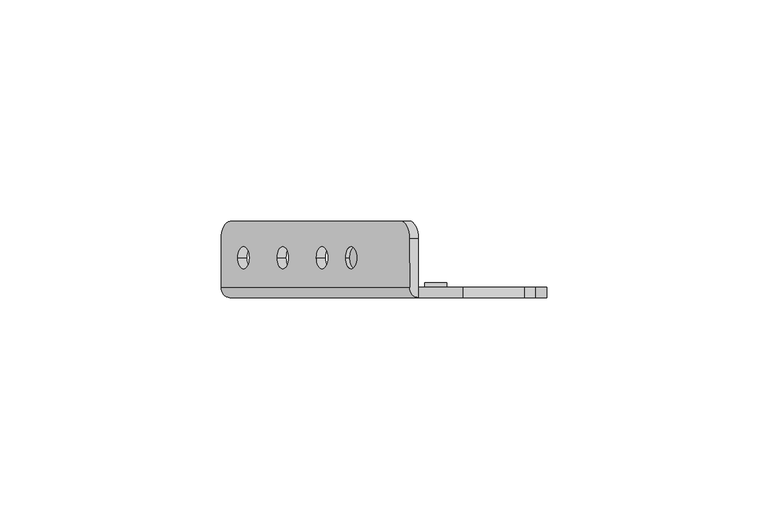
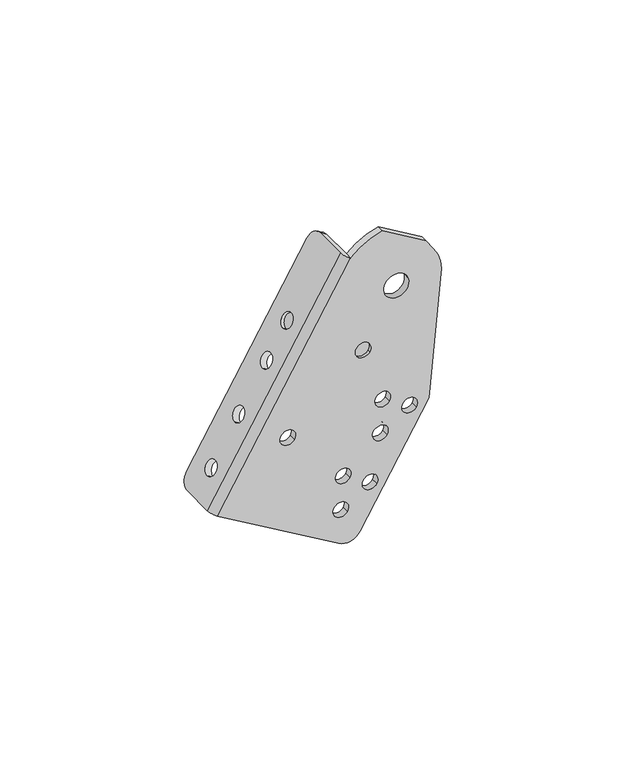
"""IFC4 building model written with IfcOpenShell, lengths in millimetres: proxy geometry."""

from ifc_helpers import new_model, si_unit, frame, origin, place, context, project, spatial, polyline, circle_curve, source, transform, mapped, element, save
from ifc_brep_helpers import plane_surface, cylinder_surface, revolved_surface, advanced_brep


def mechanical_equipment_146bcb7c(model_context):
    return source(origin(), model_context, "Body", "AdvancedBrep", [
        advanced_brep(
        [(-39.2343586, 12.2834534, -6.886855), (-41.2475324, 16.2499985, -10.3045459), (-79.8299595, 16.2499985, -75.8045094), (-81.859861, 12.196215, -79.2505982), (-81.859861, 1.2499985, -79.2505982), (-39.2266385, 1.2499985, -6.8737487), (-78.0533232, 7.953236, -72.7883795), (-75.5156314, 7.953236, -68.4802337), (-69.1714019, 7.953236, -57.7098692), (-66.6337101, 7.953236, -53.4017234), (-60.2894805, 7.953236, -42.6313589), (-57.7517887, 7.953236, -38.3232131), (-53.6914818, 7.9499985, -31.4301798), (-51.15379, 7.9499985, -27.122034), (-79.8781139, 12.196215, -80.4179364), (-77.8482125, 16.1957184, -76.9718477), (-39.2657854, 16.2499985, -11.4718841), (-37.2526116, 12.2834534, -8.0541932), (-37.2448914, 1.2499985, -8.0410869), (-79.8781139, 1.2499985, -80.4179364), (-76.0715762, 7.953236, -73.9557177), (-73.5338843, 7.953236, -69.6475719), (-67.1896548, 7.953236, -58.8772074), (-64.651963, 7.953236, -54.5690616), (-58.3077335, 7.953236, -43.7986971), (-55.7700416, 7.953236, -39.4905513), (-49.1720429, 7.9499985, -28.2893722), (-51.7097347, 7.9499985, -32.597518), (-37.2448914, -1.0500015, -8.0410869), (-41.1048017, 1.2499985, -103.2571627), (-41.1048017, -1.0500015, -103.2571627), (-79.8781139, -1.0500015, -80.4179364), (-52.8298526, 7.9499985, -31.9377181), (-50.2921608, 7.9499985, -27.6295723), (-34.258964, -1.0500015, -101.4867088), (-12.2237444, -1.0500015, -64.078329), (-8.1416624, -1.0500015, -21.6842866), (-10.6711658, -1.0500015, -14.24529), (-13.1620354, -1.0500015, -10.6210522), (-27.0925851, -1.0500015, -2.4153313), (-18.748405, -1.0500015, -21.4566604), (-26.4935861, -1.0500015, -23.4597005), (-59.5295857, -1.0500015, -60.4878527), (-55.2214399, -1.0500015, -63.0255445), (-29.1069354, -1.0500015, -58.0978014), (-24.7987896, -1.0500015, -60.6354932), (-20.4906438, -1.0500015, -63.1731851), (-16.182498, -1.0500015, -65.7108769), (-29.8741732, -1.0500015, -69.2517848), (-25.5660274, -1.0500015, -71.7894767), (-41.7953944, -1.0500015, -79.6385304), (-37.4872486, -1.0500015, -82.1762223), (-33.1791028, -1.0500015, -84.7139141), (-28.870957, -1.0500015, -87.2516059), (-42.5626323, -1.0500015, -90.7925139), (-38.2544865, -1.0500015, -93.3302057), (-35.4333741, -1.0500015, -39.2835469), (-31.1252283, -1.0500015, -41.8212387), (-27.0925851, 1.2499985, -2.4153313), (-13.1620354, 1.2499985, -10.6210522), (-10.6711658, 1.2499985, -14.24529), (-8.1416624, 1.2499985, -21.6842866), (-12.2237444, 1.2499985, -64.078329), (-34.258964, 1.2499985, -101.4867088), (-18.748405, 1.2499985, -21.4566604), (-26.4935861, 1.2499985, -23.4597005), (-59.5295857, 1.2499985, -60.4878527), (-55.2214399, 1.2499985, -63.0255445), (-29.1069354, 1.2499985, -58.0978014), (-24.7987896, 1.2499985, -60.6354932), (-20.4906438, 1.2499985, -63.1731851), (-16.182498, 1.2499985, -65.7108769), (-29.8741732, 1.2499985, -69.2517848), (-25.5660274, 1.2499985, -71.7894767), (-41.7953944, 1.2499985, -79.6385304), (-37.4872486, 1.2499985, -82.1762223), (-33.1791028, 1.2499985, -84.7139141), (-28.870957, 1.2499985, -87.2516059), (-42.5626323, 1.2499985, -90.7925139), (-38.2544865, 1.2499985, -93.3302057), (-30.8589321, 1.2499985, -39.9264428), (-35.4333741, 1.2499985, -39.2835469), (-35.6996703, 1.2499985, -41.1783428), (-31.1252283, 1.2499985, -41.8212387), (-30.8589321, -0.0500015, -39.9264428), (-35.4333741, -0.0500015, -39.2835469), (-35.6996703, -0.0500015, -41.1783428), (-31.1252283, -0.0500015, -41.8212387), (-30.8589321, 2.2499985, -39.9264428), (-35.6996703, 2.2499985, -41.1783428), (-50.8481056, 7.9499985, -33.1050564), (-48.3104138, 7.9499985, -28.7969106)],
        [
            (0, 1, circle_curve(frame((-41.2475324, 12.2834534, -10.3045459), z_axis=(-0.8616291604415248, 0.0, 0.507538362960706), x_axis=(-0.507538362960706, 0.0, -0.8616291604415248)), 3.9665451)),
            (1, 2),
            (2, 3, circle_curve(frame((-79.8299595, 12.196215, -75.8045094), z_axis=(-0.8616291604415248, 0.0, 0.507538362960706), x_axis=(-0.507538362960706, 0.0, -0.8616291604415248)), 3.9995034)),
            (3, 4),
            (4, 5),
            (5, 0),
            (6, 7, circle_curve(frame((-76.7844773, 7.953236, -70.6343066), z_axis=(0.8616291604415247, 0.0, -0.5075383629607061), x_axis=(0.5075383629607061, 0.0, 0.8616291604415247)), 2.5)),
            (7, 6, circle_curve(frame((-76.7844773, 7.953236, -70.6343066), z_axis=(0.8616291604415247, 0.0, -0.5075383629607061), x_axis=(0.5075383629607061, 0.0, 0.8616291604415247)), 2.5)),
            (8, 9, circle_curve(frame((-67.902556, 7.953236, -55.5557963), z_axis=(0.8616291604415247, 0.0, -0.5075383629607061), x_axis=(0.5075383629607061, 0.0, 0.8616291604415247)), 2.5)),
            (9, 8, circle_curve(frame((-67.902556, 7.953236, -55.5557963), z_axis=(0.8616291604415247, 0.0, -0.5075383629607061), x_axis=(0.5075383629607061, 0.0, 0.8616291604415247)), 2.5)),
            (10, 11, circle_curve(frame((-59.0206346, 7.953236, -40.477286), z_axis=(0.8616291604415247, 0.0, -0.5075383629607061), x_axis=(0.5075383629607061, 0.0, 0.8616291604415247)), 2.5)),
            (11, 10, circle_curve(frame((-59.0206346, 7.953236, -40.477286), z_axis=(0.8616291604415247, 0.0, -0.5075383629607061), x_axis=(0.5075383629607061, 0.0, 0.8616291604415247)), 2.5)),
            (12, 13, circle_curve(frame((-52.4226359, 7.9499985, -29.2761069), z_axis=(0.8616291604415247, 0.0, -0.5075383629607061), x_axis=(0.5075383629607061, 0.0, 0.8616291604415247)), 2.5)),
            (13, 12, circle_curve(frame((-52.4226359, 7.9499985, -29.2761069), z_axis=(0.8616291604415247, 0.0, -0.5075383629607061), x_axis=(0.5075383629607061, 0.0, 0.8616291604415247)), 2.5)),
            (14, 15, circle_curve(frame((-77.8482125, 12.196215, -76.9718477), z_axis=(0.8616291604415248, 0.0, -0.507538362960706), x_axis=(-0.507538362960706, 0.0, -0.8616291604415248)), 3.9995034)),
            (15, 16),
            (16, 17, circle_curve(frame((-39.2657854, 12.2834534, -11.4718841), z_axis=(0.8616291604415248, 0.0, -0.507538362960706), x_axis=(-0.507538362960706, 0.0, -0.8616291604415248)), 3.9665451)),
            (17, 18),
            (18, 19),
            (19, 14),
            (20, 21, circle_curve(frame((-74.8027303, 7.953236, -71.8016448), z_axis=(-0.8616291604415247, 0.0, 0.5075383629607061), x_axis=(0.5075383629607061, 0.0, 0.8616291604415247)), 2.5)),
            (21, 20, circle_curve(frame((-74.8027303, 7.953236, -71.8016448), z_axis=(-0.8616291604415247, 0.0, 0.5075383629607061), x_axis=(0.5075383629607061, 0.0, 0.8616291604415247)), 2.5)),
            (22, 23, circle_curve(frame((-65.9208089, 7.953236, -56.7231345), z_axis=(-0.8616291604415247, 0.0, 0.5075383629607061), x_axis=(0.5075383629607061, 0.0, 0.8616291604415247)), 2.5)),
            (23, 22, circle_curve(frame((-65.9208089, 7.953236, -56.7231345), z_axis=(-0.8616291604415247, 0.0, 0.5075383629607061), x_axis=(0.5075383629607061, 0.0, 0.8616291604415247)), 2.5)),
            (24, 25, circle_curve(frame((-57.0388875, 7.953236, -41.6446242), z_axis=(-0.8616291604415247, 0.0, 0.5075383629607061), x_axis=(0.5075383629607061, 0.0, 0.8616291604415247)), 2.5)),
            (25, 24, circle_curve(frame((-57.0388875, 7.953236, -41.6446242), z_axis=(-0.8616291604415247, 0.0, 0.5075383629607061), x_axis=(0.5075383629607061, 0.0, 0.8616291604415247)), 2.5)),
            (26, 27, circle_curve(frame((-50.4408888, 7.9499985, -30.4434451), z_axis=(-0.8616291604415253, 0.0, 0.5075383629607052), x_axis=(0.5075383629607052, 0.0, 0.8616291604415253)), 2.5)),
            (27, 26, circle_curve(frame((-50.4408888, 7.9499985, -30.4434451), z_axis=(-0.8616291604415253, 0.0, 0.5075383629607052), x_axis=(0.5075383629607052, 0.0, 0.8616291604415253)), 2.5)),
            (17, 0),
            (5, 28, circle_curve(frame((-37.2448914, 1.2499985, -8.0410869), z_axis=(0.507538362960706, 0.0, 0.8616291604415248), x_axis=(0.0, -1.0, 0.0)), 2.3)),
            (28, 18),
            (16, 1),
            (15, 2),
            (14, 3),
            (19, 29),
            (29, 30),
            (30, 31),
            (31, 4, circle_curve(frame((-79.8781139, 1.2499985, -80.4179364), z_axis=(-0.507538362960706, 0.0, -0.8616291604415248), x_axis=(0.0, -1.0, 0.0)), 2.3)),
            (6, 20),
            (21, 7),
            (8, 22),
            (23, 9),
            (10, 24),
            (25, 11),
            (12, 32),
            (32, 33, circle_curve(frame((-51.5610067, 7.9499985, -29.7836452), z_axis=(0.8616291604415247, 0.0, -0.5075383629607061), x_axis=(0.5075383629607061, 0.0, 0.8616291604415247)), 2.5)),
            (33, 13),
            (33, 32, circle_curve(frame((-51.5610067, 7.9499985, -29.7836452), z_axis=(0.8616291604415247, 0.0, -0.5075383629607061), x_axis=(0.5075383629607061, 0.0, 0.8616291604415247)), 2.5)),
            (30, 34, circle_curve(frame((-38.5671098, -1.0500015, -98.9490169), z_axis=(0.0, -1.0, 0.0), x_axis=(0.9681476403781087, 0.0, 0.2503800040544382)), 5.0)),
            (34, 35),
            (35, 36),
            (36, 37, circle_curve(frame((-22.6209955, -1.0500015, -22.4581804), z_axis=(0.0, -1.0, 0.0), x_axis=(0.9681476403781087, 0.0, 0.2503800040544382)), 14.5)),
            (37, 38),
            (38, 39),
            (39, 28, circle_curve(frame((-22.6209955, -1.0500015, -22.4581804), z_axis=(0.0, -1.0, 0.0), x_axis=(0.9681476403781087, 0.0, 0.2503800040544382)), 20.5356012)),
            (28, 31),
            (40, 41, circle_curve(frame((-22.6209955, -1.0500015, -22.4581804), z_axis=(0.0, 1.0, 0.0), x_axis=(0.9681476403781087, 0.0, 0.2503800040544382)), 4.0)),
            (41, 40, circle_curve(frame((-22.6209955, -1.0500015, -22.4581804), z_axis=(0.0, 1.0, 0.0), x_axis=(0.9681476403781087, 0.0, 0.2503800040544382)), 4.0)),
            (42, 43, circle_curve(frame((-57.3755128, -1.0500015, -61.7566986), z_axis=(0.0, 1.0, 0.0), x_axis=(0.8616291604415253, 0.0, -0.5075383629607052)), 2.5)),
            (43, 42, circle_curve(frame((-57.3755128, -1.0500015, -61.7566986), z_axis=(0.0, 1.0, 0.0), x_axis=(0.8616291604415253, 0.0, -0.5075383629607052)), 2.5)),
            (44, 45, circle_curve(frame((-26.9528625, -1.0500015, -59.3666473), z_axis=(0.0, 1.0, 0.0), x_axis=(0.8616291604415253, 0.0, -0.5075383629607052)), 2.5)),
            (45, 44, circle_curve(frame((-26.9528625, -1.0500015, -59.3666473), z_axis=(0.0, 1.0, 0.0), x_axis=(0.8616291604415253, 0.0, -0.5075383629607052)), 2.5)),
            (46, 47, circle_curve(frame((-18.3365709, -1.0500015, -64.442031), z_axis=(0.0, 1.0, 0.0), x_axis=(0.8616291604415253, 0.0, -0.5075383629607052)), 2.5)),
            (47, 46, circle_curve(frame((-18.3365709, -1.0500015, -64.442031), z_axis=(0.0, 1.0, 0.0), x_axis=(0.8616291604415253, 0.0, -0.5075383629607052)), 2.5)),
            (48, 49, circle_curve(frame((-27.7201003, -1.0500015, -70.5206308), z_axis=(0.0, 1.0, 0.0), x_axis=(0.8616291604415253, 0.0, -0.5075383629607052)), 2.5)),
            (49, 48, circle_curve(frame((-27.7201003, -1.0500015, -70.5206308), z_axis=(0.0, 1.0, 0.0), x_axis=(0.8616291604415253, 0.0, -0.5075383629607052)), 2.5)),
            (50, 51, circle_curve(frame((-39.6413215, -1.0500015, -80.9073763), z_axis=(0.0, 1.0, 0.0), x_axis=(0.8616291604415253, 0.0, -0.5075383629607052)), 2.5)),
            (51, 50, circle_curve(frame((-39.6413215, -1.0500015, -80.9073763), z_axis=(0.0, 1.0, 0.0), x_axis=(0.8616291604415253, 0.0, -0.5075383629607052)), 2.5)),
            (52, 53, circle_curve(frame((-31.0250299, -1.0500015, -85.98276), z_axis=(0.0, 1.0, 0.0), x_axis=(0.8616291604415253, 0.0, -0.5075383629607052)), 2.5)),
            (53, 52, circle_curve(frame((-31.0250299, -1.0500015, -85.98276), z_axis=(0.0, 1.0, 0.0), x_axis=(0.8616291604415253, 0.0, -0.5075383629607052)), 2.5)),
            (54, 55, circle_curve(frame((-40.4085594, -1.0500015, -92.0613598), z_axis=(0.0, 1.0, 0.0), x_axis=(0.8616291604415253, 0.0, -0.5075383629607052)), 2.5)),
            (55, 54, circle_curve(frame((-40.4085594, -1.0500015, -92.0613598), z_axis=(0.0, 1.0, 0.0), x_axis=(0.8616291604415253, 0.0, -0.5075383629607052)), 2.5)),
            (56, 57, circle_curve(frame((-33.2793012, -1.0500015, -40.5523928), z_axis=(0.0, 1.0, 0.0), x_axis=(0.8616291604415253, 0.0, -0.5075383629607052)), 2.5)),
            (57, 56, circle_curve(frame((-33.2793012, -1.0500015, -40.5523928), z_axis=(0.0, 1.0, 0.0), x_axis=(0.8616291604415253, 0.0, -0.5075383629607052)), 2.5)),
            (18, 58, circle_curve(frame((-22.6209955, 1.2499985, -22.4581804), z_axis=(0.0, 1.0, 0.0), x_axis=(0.9681476403781087, 0.0, 0.2503800040544382)), 20.5356012)),
            (58, 59),
            (59, 60),
            (60, 61, circle_curve(frame((-22.6209955, 1.2499985, -22.4581804), z_axis=(0.0, 1.0, 0.0), x_axis=(0.9681476403781087, 0.0, 0.2503800040544382)), 14.5)),
            (61, 62),
            (62, 63),
            (63, 29, circle_curve(frame((-38.5671098, 1.2499985, -98.9490169), z_axis=(0.0, 1.0, 0.0), x_axis=(0.9681476403781087, 0.0, 0.2503800040544382)), 5.0)),
            (64, 65, circle_curve(frame((-22.6209955, 1.2499985, -22.4581804), z_axis=(0.0, -1.0, 0.0), x_axis=(0.9681476403781087, 0.0, 0.2503800040544382)), 4.0)),
            (65, 64, circle_curve(frame((-22.6209955, 1.2499985, -22.4581804), z_axis=(0.0, -1.0, 0.0), x_axis=(0.9681476403781087, 0.0, 0.2503800040544382)), 4.0)),
            (66, 67, circle_curve(frame((-57.3755128, 1.2499985, -61.7566986), z_axis=(0.0, -1.0, 0.0), x_axis=(0.8616291604415253, 0.0, -0.5075383629607052)), 2.5)),
            (67, 66, circle_curve(frame((-57.3755128, 1.2499985, -61.7566986), z_axis=(0.0, -1.0, 0.0), x_axis=(0.8616291604415253, 0.0, -0.5075383629607052)), 2.5)),
            (68, 69, circle_curve(frame((-26.9528625, 1.2499985, -59.3666473), z_axis=(0.0, -1.0, 0.0), x_axis=(0.8616291604415253, 0.0, -0.5075383629607052)), 2.5)),
            (69, 68, circle_curve(frame((-26.9528625, 1.2499985, -59.3666473), z_axis=(0.0, -1.0, 0.0), x_axis=(0.8616291604415253, 0.0, -0.5075383629607052)), 2.5)),
            (70, 71, circle_curve(frame((-18.3365709, 1.2499985, -64.442031), z_axis=(0.0, -1.0, 0.0), x_axis=(0.8616291604415253, 0.0, -0.5075383629607052)), 2.5)),
            (71, 70, circle_curve(frame((-18.3365709, 1.2499985, -64.442031), z_axis=(0.0, -1.0, 0.0), x_axis=(0.8616291604415253, 0.0, -0.5075383629607052)), 2.5)),
            (72, 73, circle_curve(frame((-27.7201003, 1.2499985, -70.5206308), z_axis=(0.0, -1.0, 0.0), x_axis=(0.8616291604415253, 0.0, -0.5075383629607052)), 2.5)),
            (73, 72, circle_curve(frame((-27.7201003, 1.2499985, -70.5206308), z_axis=(0.0, -1.0, 0.0), x_axis=(0.8616291604415253, 0.0, -0.5075383629607052)), 2.5)),
            (74, 75, circle_curve(frame((-39.6413215, 1.2499985, -80.9073763), z_axis=(0.0, -1.0, 0.0), x_axis=(0.8616291604415253, 0.0, -0.5075383629607052)), 2.5)),
            (75, 74, circle_curve(frame((-39.6413215, 1.2499985, -80.9073763), z_axis=(0.0, -1.0, 0.0), x_axis=(0.8616291604415253, 0.0, -0.5075383629607052)), 2.5)),
            (76, 77, circle_curve(frame((-31.0250299, 1.2499985, -85.98276), z_axis=(0.0, -1.0, 0.0), x_axis=(0.8616291604415253, 0.0, -0.5075383629607052)), 2.5)),
            (77, 76, circle_curve(frame((-31.0250299, 1.2499985, -85.98276), z_axis=(0.0, -1.0, 0.0), x_axis=(0.8616291604415253, 0.0, -0.5075383629607052)), 2.5)),
            (78, 79, circle_curve(frame((-40.4085594, 1.2499985, -92.0613598), z_axis=(0.0, -1.0, 0.0), x_axis=(0.8616291604415253, 0.0, -0.5075383629607052)), 2.5)),
            (79, 78, circle_curve(frame((-40.4085594, 1.2499985, -92.0613598), z_axis=(0.0, -1.0, 0.0), x_axis=(0.8616291604415253, 0.0, -0.5075383629607052)), 2.5)),
            (80, 81, circle_curve(frame((-33.2793012, 1.2499985, -40.5523928), z_axis=(0.0, -1.0, 0.0), x_axis=(0.9681476403781087, 0.0, 0.2503800040544382)), 2.5)),
            (81, 82, circle_curve(frame((-33.2793012, 1.2499985, -40.5523928), z_axis=(0.0, -1.0, 0.0), x_axis=(0.9681476403781087, 0.0, 0.2503800040544382)), 2.5)),
            (82, 83, circle_curve(frame((-33.2793012, 1.2499985, -40.5523928), z_axis=(0.0, -1.0, 0.0), x_axis=(0.9681476403781087, 0.0, 0.2503800040544382)), 2.5)),
            (83, 80, circle_curve(frame((-33.2793012, 1.2499985, -40.5523928), z_axis=(0.0, -1.0, 0.0), x_axis=(0.9681476403781087, 0.0, 0.2503800040544382)), 2.5)),
            (63, 34),
            (62, 35),
            (61, 36),
            (60, 37),
            (59, 38),
            (58, 39),
            (40, 64),
            (65, 41),
            (84, 85, circle_curve(frame((-33.2793012, -0.0500015, -40.5523928), z_axis=(0.0, -1.0, 0.0), x_axis=(0.8616291604415253, 0.0, -0.5075383629607052)), 2.5)),
            (85, 86, circle_curve(frame((-33.2793012, -0.0500015, -40.5523928), z_axis=(0.0, -1.0, 0.0), x_axis=(0.8616291604415253, 0.0, -0.5075383629607052)), 2.5)),
            (86, 87, circle_curve(frame((-33.2793012, -0.0500015, -40.5523928), z_axis=(0.0, -1.0, 0.0), x_axis=(0.8616291604415253, 0.0, -0.5075383629607052)), 2.5)),
            (87, 84, circle_curve(frame((-33.2793012, -0.0500015, -40.5523928), z_axis=(0.0, -1.0, 0.0), x_axis=(0.8616291604415253, 0.0, -0.5075383629607052)), 2.5)),
            (88, 89, circle_curve(frame((-33.2793012, 2.2499985, -40.5523928), z_axis=(0.0, 1.0, 0.0), x_axis=(0.9681476403781087, 0.0, 0.2503800040544382)), 2.5)),
            (89, 88, circle_curve(frame((-33.2793012, 2.2499985, -40.5523928), z_axis=(0.0, 1.0, 0.0), x_axis=(0.9681476403781087, 0.0, 0.2503800040544382)), 2.5)),
            (89, 82),
            (80, 88),
            (90, 91, circle_curve(frame((-49.5792597, 7.9499985, -30.9509835), z_axis=(0.8616291604415253, 0.0, -0.5075383629607052), x_axis=(0.5075383629607052, 0.0, 0.8616291604415253)), 2.5)),
            (91, 90, circle_curve(frame((-49.5792597, 7.9499985, -30.9509835), z_axis=(0.8616291604415253, 0.0, -0.5075383629607052), x_axis=(0.5075383629607052, 0.0, 0.8616291604415253)), 2.5)),
            (90, 27),
            (26, 91),
            (42, 66),
            (67, 43),
            (44, 68),
            (69, 45),
            (46, 70),
            (71, 47),
            (48, 72),
            (73, 49),
            (50, 74),
            (75, 51),
            (52, 76),
            (77, 53),
            (54, 78),
            (79, 55),
            (56, 85),
            (87, 57),
        ],
        [
            plane_surface(frame((-39.2266385, -1.0593878, -6.8737487), z_axis=(-0.8616291604415247, 0.0, 0.5075383629607061), x_axis=(0.0, 1.0, 0.0))),
            plane_surface(frame((-37.2448914, -1.0593878, -8.0410869), z_axis=(0.8616291604415247, 0.0, -0.5075383629607061), x_axis=(0.0, -1.0, 0.0))),
            plane_surface(frame((-39.2266385, -1.0500015, -6.8737487), z_axis=(0.507538362960706, 0.0, 0.8616291604415248), x_axis=(0.8616291604415248, 0.0, -0.507538362960706))),
            cylinder_surface(frame((-39.2657854, 12.2834534, -11.4718841), z_axis=(-0.8616291604415248, 0.0, 0.507538362960706), x_axis=(-0.507538362960706, 0.0, -0.8616291604415248)), 3.9665451),
            plane_surface(frame((-41.2475324, 16.2499985, -10.3045459), z_axis=(0.0, 1.0000000000000002, 0.0), x_axis=(0.8616291604415248, 0.0, -0.507538362960706))),
            cylinder_surface(frame((-77.8482125, 12.196215, -76.9718477), z_axis=(-0.8616291604415248, 0.0, 0.507538362960706), x_axis=(-0.507538362960706, 0.0, -0.8616291604415248)), 3.9995034),
            plane_surface(frame((-81.859861, 12.196215, -79.2505982), z_axis=(-0.5075383629607052, 0.0, -0.8616291604415253), x_axis=(0.8616291604415253, 0.0, -0.5075383629607052))),
            revolved_surface(polyline([(-73.53388432337015, 7.953236, -69.64757193967465), (-75.5156314001661, 7.953236, -68.48023370028199)]), (-74.8027303, 7.953236, -71.8016448), (0.8616291604415247, 0.0, -0.5075383629607061)),
            revolved_surface(polyline([(-64.65196298758583, 7.953236, -54.569061601848716), (-66.63371007440658, 7.953236, -53.401723356551)]), (-65.9208089, 7.953236, -56.7231345), (0.8616291604415247, 0.0, -0.5075383629607061)),
            revolved_surface(polyline([(-55.77004159259823, 7.953236, -39.49055129889619), (-57.75178867440658, 7.953236, -38.323213056551005)]), (-57.0388875, 7.953236, -41.6446242), (0.8616291604415247, 0.0, -0.5075383629607061)),
            revolved_surface(polyline([(-50.2921608021052, 7.9499985, -27.6295723264977), (-51.153789974406585, 7.9499985, -27.122033956551004)]), (-50.4408888, 7.9499985, -30.4434451), (0.8616291604415247, 0.0, -0.5075383629607061)),
            plane_surface(frame((-79.8781139, -1.0500015, -80.4179364), z_axis=(0.0, -1.0000000000000002, 0.0), x_axis=(-0.5075383629607061, 0.0, -0.8616291604415247))),
            plane_surface(frame((-79.8781139, 1.2499985, -80.4179364), z_axis=(0.0, 1.0000000000000002, 0.0), x_axis=(0.5075383629607061, 0.0, 0.8616291604415247))),
            cylinder_surface(frame((-38.5671098, 1.2499985, -98.9490169), z_axis=(0.0, -1.0, 0.0), x_axis=(0.9681476403781087, 0.0, 0.2503800040544382)), 5.0),
            plane_surface(frame((-34.258964, -1.0500015, -101.4867088), z_axis=(0.8616291604415219, 0.0, -0.5075383629607109), x_axis=(0.0, 1.0, 0.0))),
            plane_surface(frame((-12.2237444, -1.0500015, -64.078329), z_axis=(0.995396198367179, 0.0, -0.09584575252022387), x_axis=(0.0, 1.0, 0.0))),
            cylinder_surface(frame((-22.6209955, 1.2499985, -22.4581804), z_axis=(0.0, -1.0, 0.0), x_axis=(0.9681476403781087, 0.0, 0.2503800040544382)), 14.5),
            plane_surface(frame((-10.6711658, -1.0500015, -14.24529), z_axis=(0.8241261886220621, 0.0, 0.5664062369247654), x_axis=(0.0, 1.0, 0.0))),
            plane_surface(frame((-13.1620354, -1.0500015, -10.6210522), z_axis=(0.5075383629607028, 0.0, 0.8616291604415267), x_axis=(0.0, 1.0, 0.0))),
            cylinder_surface(frame((-22.6209955, 1.2499985, -22.4581804), z_axis=(0.0, -1.0, 0.0), x_axis=(0.9681476403781087, 0.0, 0.2503800040544382)), 20.5356012),
            revolved_surface(polyline([(-18.748404938487564, 1.2499985, -21.456660383782246), (-18.748404938487564, -1.0500014999999998, -21.456660383782246)]), (-22.6209955, 1.2499985, -22.4581804), (0.0, 1.0, 0.0)),
            plane_surface(frame((-30.8589321, -0.0500015, -39.9264428), z_axis=(0.0, -1.0000000000000002, 0.0), x_axis=(-0.2503800040544382, 0.0, 0.9681476403781087))),
            plane_surface(frame((-30.8589321, 2.2499985, -39.9264428), z_axis=(0.0, 1.0000000000000002, 0.0), x_axis=(0.2503800040544382, 0.0, -0.9681476403781087))),
            cylinder_surface(frame((-33.2793012, 2.2499985, -40.5523928), z_axis=(0.0, -1.0, 0.0), x_axis=(0.9681476403781087, 0.0, 0.2503800040544382)), 2.5),
            plane_surface(frame((-48.3104138, 7.9499985, -28.7969106), z_axis=(0.8616291604415253, 0.0, -0.5075383629607052), x_axis=(0.0, -1.0, 0.0))),
            plane_surface(frame((-50.2921608, 7.9499985, -27.6295723), z_axis=(-0.8616291604415253, 0.0, 0.5075383629607052), x_axis=(0.0, 1.0, 0.0))),
            cylinder_surface(frame((-51.5610067, 7.9499985, -29.7836452), z_axis=(0.8616291604415253, 0.0, -0.5075383629607052), x_axis=(0.5075383629607052, 0.0, 0.8616291604415253)), 2.5),
            cylinder_surface(frame((-79.8781139, 1.2499985, -80.4179364), z_axis=(0.507538362960706, 0.0, 0.8616291604415248), x_axis=(0.0, -1.0, 0.0)), 2.3),
            revolved_surface(polyline([(-55.22143989889619, 1.2499985, -63.02554450740176), (-55.22143989889619, -1.0500014999999998, -63.02554450740176)]), (-57.3755128, 1.2499985, -61.7566986), (0.0, 1.0, 0.0)),
            revolved_surface(polyline([(-24.798789598896185, 1.2499985, -60.63549320740176), (-24.798789598896185, -1.0500014999999998, -60.63549320740176)]), (-26.9528625, 1.2499985, -59.3666473), (0.0, 1.0, 0.0)),
            revolved_surface(polyline([(-16.18249799889619, 1.2499985, -65.71087690740177), (-16.18249799889619, -1.0500014999999998, -65.71087690740177)]), (-18.3365709, 1.2499985, -64.442031), (0.0, 1.0, 0.0)),
            revolved_surface(polyline([(-25.566027398896185, 1.2499985, -71.78947670740178), (-25.566027398896185, -1.0500014999999998, -71.78947670740178)]), (-27.7201003, 1.2499985, -70.5206308), (0.0, 1.0, 0.0)),
            revolved_surface(polyline([(-37.48724859889619, 1.2499985, -82.17622220740176), (-37.48724859889619, -1.0500014999999998, -82.17622220740176)]), (-39.6413215, 1.2499985, -80.9073763), (0.0, 1.0, 0.0)),
            revolved_surface(polyline([(-28.870956998896187, 1.2499985, -87.25160590740177), (-28.870956998896187, -1.0500014999999998, -87.25160590740177)]), (-31.0250299, 1.2499985, -85.98276), (0.0, 1.0, 0.0)),
            revolved_surface(polyline([(-38.254486498896185, 1.2499985, -93.33020570740177), (-38.254486498896185, -1.0500014999999998, -93.33020570740177)]), (-40.4085594, 1.2499985, -92.0613598), (0.0, 1.0, 0.0)),
            revolved_surface(polyline([(-31.125228298896186, -0.05000150000000003, -41.82123870740176), (-31.125228298896186, -1.0500014999999998, -41.82123870740176)]), (-33.2793012, 1.2499985, -40.5523928), (0.0, 1.0, 0.0)),
        ],
        [
            (0, [[1, 2, 3, 4, 5, 6], [7, 8], [9, 10], [11, 12], [13, 14]]),
            (1, [[15, 16, 17, 18, 19, 20], [21, 22], [23, 24], [25, 26], [27, 28]]),
            (2, [[29, -6, 30, 31, -18]]),
            (3, [[-1, -29, -17, 32]]),
            (4, [[-2, -32, -16, 33]]),
            (5, [[-3, -33, -15, 34]]),
            (6, [[-34, -20, 35, 36, 37, 38, -4]]),
            (7, [[-7, 39, -22, 40]]),
            (7, [[-8, -40, -21, -39]]),
            (8, [[-9, 41, -24, 42]]),
            (8, [[-10, -42, -23, -41]]),
            (9, [[-11, 43, -26, 44]]),
            (9, [[-12, -44, -25, -43]]),
            (10, [[-13, 45, 46, 47]]),
            (10, [[-14, -47, 48, -45]]),
            (11, [[-37, 49, 50, 51, 52, 53, 54, 55, 56], [57, 58], [59, 60], [61, 62], [63, 64], [65, 66], [67, 68], [69, 70], [71, 72], [73, 74]]),
            (12, [[75, 76, 77, 78, 79, 80, 81, -35, -19], [82, 83], [84, 85], [86, 87], [88, 89], [90, 91], [92, 93], [94, 95], [96, 97], [98, 99, 100, 101]]),
            (13, [[-49, -36, -81, 102]]),
            (14, [[-50, -102, -80, 103]]),
            (15, [[-51, -103, -79, 104]]),
            (16, [[-52, -104, -78, 105]]),
            (17, [[-53, -105, -77, 106]]),
            (18, [[-54, -106, -76, 107]]),
            (19, [[-55, -107, -75, -31]]),
            (20, [[-57, 108, -83, 109]]),
            (20, [[-58, -109, -82, -108]]),
            (21, [[110, 111, 112, 113]]),
            (22, [[114, 115]]),
            (23, [[-115, 116, -99, -98, 117]]),
            (23, [[-114, -117, -101, -100, -116]]),
            (24, [[118, 119]]),
            (25, [[-46, -48]]),
            (26, [[-118, 120, -27, 121]]),
            (26, [[-119, -121, -28, -120]]),
            (27, [[-5, -38, -56, -30]]),
            (28, [[-59, 122, -85, 123]]),
            (28, [[-60, -123, -84, -122]]),
            (29, [[-61, 124, -87, 125]]),
            (29, [[-62, -125, -86, -124]]),
            (30, [[-63, 126, -89, 127]]),
            (30, [[-64, -127, -88, -126]]),
            (31, [[-65, 128, -91, 129]]),
            (31, [[-66, -129, -90, -128]]),
            (32, [[-67, 130, -93, 131]]),
            (32, [[-68, -131, -92, -130]]),
            (33, [[-69, 132, -95, 133]]),
            (33, [[-70, -133, -94, -132]]),
            (34, [[-71, 134, -97, 135]]),
            (34, [[-72, -135, -96, -134]]),
            (35, [[-73, 136, -110, -113, 137]]),
            (35, [[-74, -137, -112, -111, -136]]),
        ],
    ),
    ])


if __name__ == "__main__":
    model = new_model("IFC4")
    model_context = context("Model", 3, world=origin())
    ifc_project = project(units=[si_unit("LENGTHUNIT", "METRE", prefix="MILLI")], contexts=[model_context])
    site = spatial("IfcSite", under=ifc_project)
    building = spatial("IfcBuilding", under=site)
    placement = place(None, origin())
    mechanical_equipment_shape = mechanical_equipment_146bcb7c(model_context)
    element("IfcBuildingElementProxy", 1, Name="Mechanical Equipment", at=placement, inside=building, context=model_context, shape_type="MappedRepresentation", body=[
        mapped(mechanical_equipment_shape, transform((0.0, 0.0, 0.0), x_axis=(1.0, 0.0, 0.0), y_axis=(0.0, 1.0, 0.0), z_axis=(0.0, 0.0, 1.0))),
    ])
    save(model, "model.ifc")
